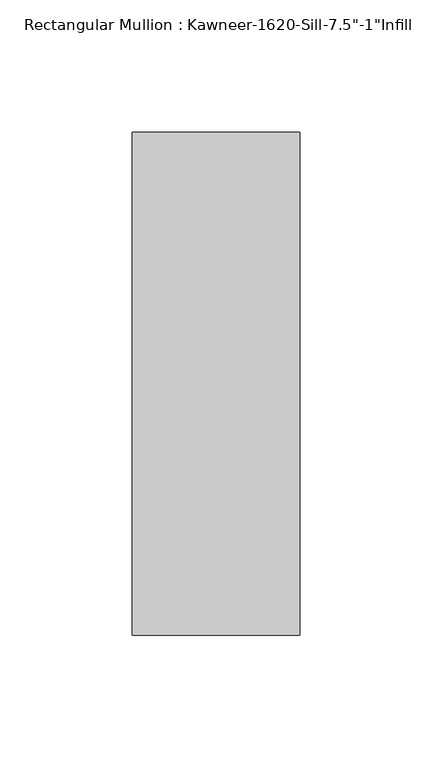
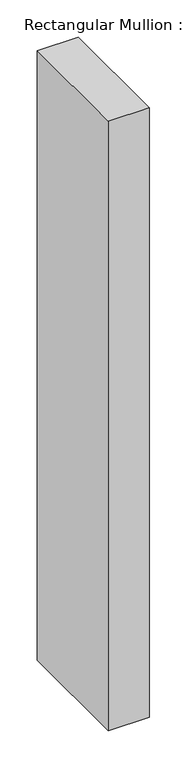
"""IFC4 building model written with IfcOpenShell, lengths in millimetres: member geometry."""

from ifc_helpers import new_model, si_unit, frame, origin, place, context, project, spatial, polyline, outline, extrude, source, transform, mapped, element, save


def member_0e3c611d(model_context):
    return source(origin(), model_context, "Body", "SweptSolid", [
        extrude(outline(polyline([(-63.5, 38.1), (0.0, 38.1), (0.0, -152.4), (-63.5, -152.4), (-63.5, 38.1)])), frame((0.0, 0.0, -996.95), z_axis=(0.0, 0.0, 1.0), x_axis=(1.0, 0.0, 0.0)), (0.0, 0.0, 1.0), 996.95),
    ])


if __name__ == "__main__":
    model = new_model("IFC4")
    model_context = context("Model", 3, world=origin())
    ifc_project = project(units=[si_unit("LENGTHUNIT", "METRE", prefix="MILLI")], contexts=[model_context])
    site = spatial("IfcSite", under=ifc_project)
    building = spatial("IfcBuilding", under=site)
    placement = place(None, origin())
    member_shape = member_0e3c611d(model_context)
    element("IfcMember", 1, ObjectType="Rectangular Mullion : Kawneer-1620-Sill-7.5\"-1\"Infill", at=placement, inside=building, context=model_context, shape_type="MappedRepresentation", body=[
        mapped(member_shape, transform((0.0, 0.0, 0.0), x_axis=(1.0, 0.0, 0.0), y_axis=(0.0, 1.0, 0.0), z_axis=(0.0, 0.0, 1.0))),
    ])
    save(model, "model.ifc")
